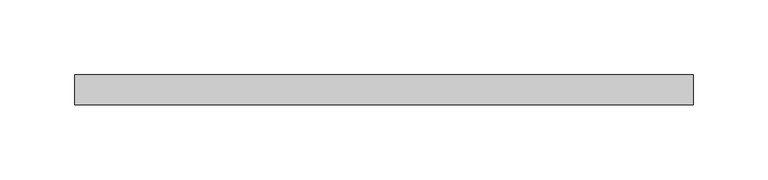
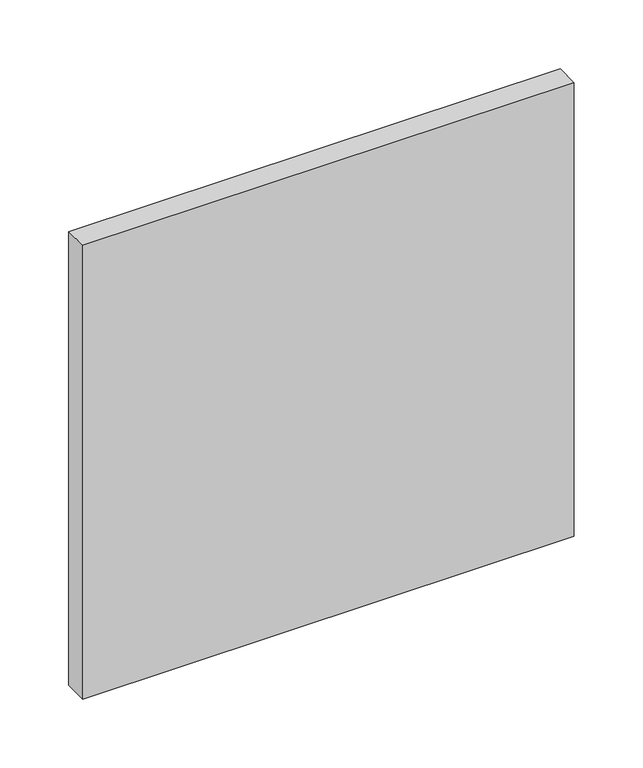
"""IFC4 building model written with IfcOpenShell, lengths in millimetres: plate geometry."""

from ifc_helpers import new_model, si_unit, origin, origin_with_axes, place, context, project, spatial, polyline, outline, extrude, source, transform, mapped, element, save


def plate_4acd37f7(model_context):
    return source(origin(), model_context, "Body", "SweptSolid", [
        extrude(outline(polyline([(206.25, -90.0), (-206.25, -90.0), (-206.25, -70.0), (206.25, -70.0), (206.25, -90.0)])), origin_with_axes(), (0.0, 0.0, 1.0), 402.3076923),
    ])


if __name__ == "__main__":
    model = new_model("IFC4")
    model_context = context("Model", 3, world=origin())
    ifc_project = project(units=[si_unit("LENGTHUNIT", "METRE", prefix="MILLI")], contexts=[model_context])
    site = spatial("IfcSite", under=ifc_project)
    building = spatial("IfcBuilding", under=site)
    placement = place(None, origin())
    plate_shape = plate_4acd37f7(model_context)
    element("IfcPlate", 1, at=placement, inside=building, context=model_context, shape_type="MappedRepresentation", body=[
        mapped(plate_shape, transform((0.0, 0.0, 0.0), x_axis=(1.0, 0.0, 0.0), y_axis=(0.0, 1.0, 0.0), z_axis=(0.0, 0.0, 1.0))),
    ])
    save(model, "model.ifc")
